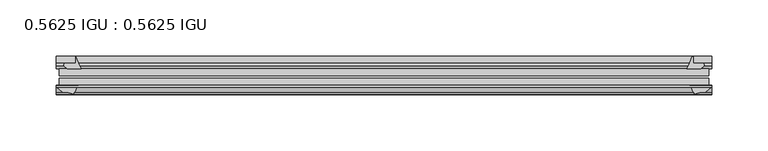
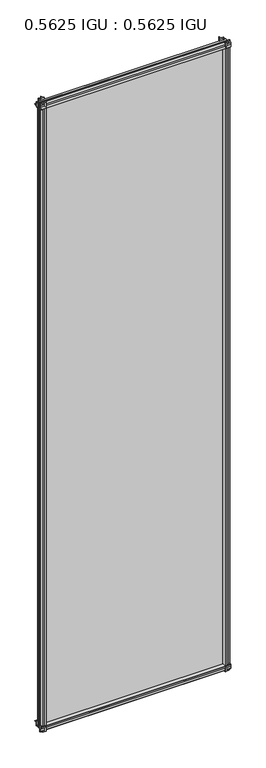
"""IFC4 building model written with IfcOpenShell, lengths in millimetres: plate geometry, 0.5625 IGU : 0.5625 IGU."""

from ifc_helpers import new_model, si_unit, point, frame, frame_2d, origin, place, context, project, spatial, polyline, circle_curve, trimmed, segment, composite_curve, outline, extrude, source, transform, mapped, element, save


def plate_0_5625_igu_0_5625_igu_5fda8fcf(model_context):
    return source(origin(), model_context, "Body", "SweptSolid", [
        extrude(outline(composite_curve([segment(trimmed(circle_curve(frame_2d((-37.8345654, 15.3636795)), 15.5602222), [point((-35.093275, 0.0468313))], [point((-27.955875, 3.3415337))], True, "CARTESIAN"), True, "CONTINUOUS"), segment(polyline([(-27.955875, 3.3415337), (-27.955875, -17.9974199)]), True, "CONTINUOUS"), segment(trimmed(circle_curve(frame_2d((-28.971875, -17.9974199)), 1.016), [point((-27.955875, -17.9974199))], [point((-29.7387172, -18.6639099))], False, "CARTESIAN"), True, "CONTINUOUS"), segment(polyline([(-29.7387172, -18.6639099), (-34.305875, -13.4090837), (-34.305875, -7.4052024), (-35.880675, -1.5279687), (-34.305875, -1.5279687), (-34.305875, -0.7405687)]), True, "CONTINUOUS"), segment(trimmed(circle_curve(frame_2d((-35.093275, -0.7405687)), 0.7874), [point((-34.305875, -0.7405687))], [point((-35.093275, 0.0468313))], True, "CARTESIAN"), True, "CONTINUOUS")], self_intersect=False)), frame((-291.3122763, 0.0, 0.0), z_axis=(1.0, 0.0, 0.0), x_axis=(0.0, 1.0, 0.0)), (0.0, 0.0, 1.0), 582.6245525),
        extrude(outline(composite_curve([segment(trimmed(circle_curve(frame_2d((11.4445684, 45.0767023)), 47.0962123), [point((-13.096875, 4.8800511))], [point((-2.198896, 0.0))], True, "CARTESIAN"), True, "CONTINUOUS"), segment(polyline([(-2.198896, 0.0), (-8.321675, 0.0), (-8.321675, -9.0936065)]), True, "CONTINUOUS"), segment(trimmed(circle_curve(frame_2d((-9.9050751, -9.085239)), 1.5834222), [point((-8.321675, -9.0936065))], [point((-11.0877177, -10.1381313))], False, "CARTESIAN"), True, "CONTINUOUS"), segment(polyline([(-11.0877177, -10.1381313), (-13.096875, -7.8711888), (-13.096875, 4.8800511)]), True, "CONTINUOUS")], self_intersect=False)), frame((-291.3122763, 0.0, 0.0), z_axis=(1.0, 0.0, 0.0), x_axis=(0.0, 1.0, 0.0)), (0.0, 0.0, 1.0), 582.6245525),
        extrude(outline(composite_curve([segment(polyline([(-34.305875, 2013.6590837), (-29.7387172, 2018.9139099)]), True, "CONTINUOUS"), segment(trimmed(circle_curve(frame_2d((-28.971875, 2018.2474199)), 1.016), [point((-29.7387172, 2018.9139099))], [point((-27.955875, 2018.2474199))], False, "CARTESIAN"), True, "CONTINUOUS"), segment(polyline([(-27.955875, 2018.2474199), (-27.955875, 1996.9084663)]), True, "CONTINUOUS"), segment(trimmed(circle_curve(frame_2d((-37.8345654, 1984.8863205)), 15.5602222), [point((-27.955875, 1996.9084663))], [point((-35.093275, 2000.2031687))], True, "CARTESIAN"), True, "CONTINUOUS"), segment(trimmed(circle_curve(frame_2d((-35.093275, 2000.9905687)), 0.7874), [point((-35.093275, 2000.2031687))], [point((-34.305875, 2000.9905687))], True, "CARTESIAN"), True, "CONTINUOUS"), segment(polyline([(-34.305875, 2000.9905687), (-34.305875, 2001.7779687), (-35.880675, 2001.7779687), (-34.305875, 2007.6552024), (-34.305875, 2013.6590837)]), True, "CONTINUOUS")], self_intersect=False)), frame((-291.3122763, 0.0, 0.0), z_axis=(1.0, 0.0, 0.0), x_axis=(0.0, 1.0, 0.0)), (0.0, 0.0, 1.0), 582.6245525),
        extrude(outline(composite_curve([segment(trimmed(circle_curve(frame_2d((-9.9050751, 2009.335239)), 1.5834222), [point((-11.0877177, 2010.3881313))], [point((-8.321675, 2009.3436065))], False, "CARTESIAN"), True, "CONTINUOUS"), segment(polyline([(-8.321675, 2009.3436065), (-8.321675, 2000.25), (-2.198896, 2000.25)]), True, "CONTINUOUS"), segment(trimmed(circle_curve(frame_2d((11.4445684, 1955.1732977)), 47.0962123), [point((-2.198896, 2000.25))], [point((-13.096875, 1995.3699489))], True, "CARTESIAN"), True, "CONTINUOUS"), segment(polyline([(-13.096875, 1995.3699489), (-13.096875, 2008.1211888), (-11.0877177, 2010.3881313)]), True, "CONTINUOUS")], self_intersect=False)), frame((-291.3122763, 0.0, 0.0), z_axis=(1.0, 0.0, 0.0), x_axis=(0.0, 1.0, 0.0)), (0.0, 0.0, 1.0), 582.6245525),
        extrude(outline(composite_curve([segment(polyline([(274.6831561, -8.321675), (282.9524378, -8.321675)]), True, "CONTINUOUS"), segment(trimmed(circle_curve(frame_2d((282.9440703, -9.9050751)), 1.5834222), [point((282.9524378, -8.321675))], [point((283.9969626, -11.0877177))], False, "CARTESIAN"), True, "CONTINUOUS"), segment(polyline([(283.9969626, -11.0877177), (281.73002, -13.096875), (268.9787802, -13.096875)]), True, "CONTINUOUS"), segment(trimmed(circle_curve(frame_2d((228.7821289, 11.4445684)), 47.0962123), [point((268.9787802, -13.096875))], [point((273.812, -2.352675))], True, "CARTESIAN"), True, "CONTINUOUS"), segment(polyline([(273.812, -2.352675), (274.6831561, -2.5510821), (274.6831561, -8.321675)]), True, "CONTINUOUS")], self_intersect=False)), frame((0.0, 0.0, -19.0134199), z_axis=(0.0, 0.0, 1.0), x_axis=(1.0, 0.0, 0.0)), (0.0, 0.0, 1.0), 2037.9273298),
        extrude(outline(composite_curve([segment(trimmed(circle_curve(frame_2d((290.2962763, -28.971875)), 1.016), [point((290.2962763, -27.955875))], [point((290.9627663, -29.7387172))], False, "CARTESIAN"), True, "CONTINUOUS"), segment(polyline([(290.9627663, -29.7387172), (285.7079401, -34.305875), (281.6958336, -34.305875), (275.8186, -35.880675), (275.8186, -34.305875), (274.7282443, -34.305875)]), True, "CONTINUOUS"), segment(trimmed(circle_curve(frame_2d((263.0922917, -36.1215237)), 11.7767556), [point((274.7282443, -34.305875))], [point((271.5784071, -27.955875))], True, "CARTESIAN"), True, "CONTINUOUS"), segment(polyline([(271.5784071, -27.955875), (290.2962763, -27.955875)]), True, "CONTINUOUS")], self_intersect=False)), frame((0.0, 0.0, -19.0134199), z_axis=(0.0, 0.0, 1.0), x_axis=(1.0, 0.0, 0.0)), (0.0, 0.0, 1.0), 2037.9273298),
        extrude(outline(composite_curve([segment(trimmed(circle_curve(frame_2d((-228.7821289, 11.4445684)), 47.0962123), [point((-273.7622882, -2.5138875))], [point((-268.9787802, -13.096875))], True, "CARTESIAN"), True, "CONTINUOUS"), segment(polyline([(-268.9787802, -13.096875), (-281.73002, -13.096875), (-283.9969626, -11.0877177)]), True, "CONTINUOUS"), segment(trimmed(circle_curve(frame_2d((-282.9440703, -9.9050751)), 1.5834222), [point((-283.9969626, -11.0877177))], [point((-282.9524378, -8.321675))], False, "CARTESIAN"), True, "CONTINUOUS"), segment(polyline([(-282.9524378, -8.321675), (-273.7622882, -8.321675), (-273.7622882, -2.5138875)]), True, "CONTINUOUS")], self_intersect=False)), frame((0.0, 0.0, -19.0134199), z_axis=(0.0, 0.0, 1.0), x_axis=(1.0, 0.0, 0.0)), (0.0, 0.0, 1.0), 2038.2768398),
        extrude(outline(composite_curve([segment(trimmed(circle_curve(frame_2d((-263.0922917, -36.1215237)), 11.7767556), [point((-271.5784071, -27.955875))], [point((-274.7282443, -34.305875))], True, "CARTESIAN"), True, "CONTINUOUS"), segment(polyline([(-274.7282443, -34.305875), (-275.8186, -34.305875), (-275.8186, -35.880675), (-281.6958336, -34.305875), (-285.7079401, -34.305875), (-290.9627663, -29.7387172)]), True, "CONTINUOUS"), segment(trimmed(circle_curve(frame_2d((-290.2962763, -28.971875)), 1.016), [point((-290.9627663, -29.7387172))], [point((-290.2962763, -27.955875))], False, "CARTESIAN"), True, "CONTINUOUS"), segment(polyline([(-290.2962763, -27.955875), (-271.5784071, -27.955875)]), True, "CONTINUOUS")], self_intersect=False)), frame((0.0, 0.0, -19.0134199), z_axis=(0.0, 0.0, 1.0), x_axis=(1.0, 0.0, 0.0)), (0.0, 0.0, 1.0), 2038.2768398),
        extrude(outline(polyline([(-288.5313, -13.096875), (288.5313, -13.096875), (288.5313, -19.396075), (-288.5313, -19.396075), (-288.5313, -13.096875)])), frame((0.0, 0.0, -13.5929687), z_axis=(0.0, 0.0, 1.0), x_axis=(1.0, 0.0, 0.0)), (0.0, 0.0, 1.0), 2027.4359375),
        extrude(outline(polyline([(288.5313, -21.656675), (288.5313, -27.955875), (-288.5313, -27.955875), (-288.5313, -21.656675), (288.5313, -21.656675)])), frame((0.0, 0.0, -13.5929687), z_axis=(0.0, 0.0, 1.0), x_axis=(1.0, 0.0, 0.0)), (0.0, 0.0, 1.0), 2027.4359375),
    ])


if __name__ == "__main__":
    model = new_model("IFC4")
    model_context = context("Model", 3, world=origin())
    ifc_project = project(units=[si_unit("LENGTHUNIT", "METRE", prefix="MILLI")], contexts=[model_context])
    site = spatial("IfcSite", under=ifc_project)
    building = spatial("IfcBuilding", under=site)
    placement = place(None, origin())
    plate_0_5625_igu_0_5625_igu_shape = plate_0_5625_igu_0_5625_igu_5fda8fcf(model_context)
    element("IfcPlate", 1, ObjectType="0.5625 IGU : 0.5625 IGU", at=placement, inside=building, context=model_context, shape_type="MappedRepresentation", body=[
        mapped(plate_0_5625_igu_0_5625_igu_shape, transform((0.0, 0.0, 0.0), x_axis=(1.0, 0.0, 0.0), y_axis=(0.0, 1.0, 0.0), z_axis=(0.0, 0.0, 1.0))),
    ])
    save(model, "model.ifc")
